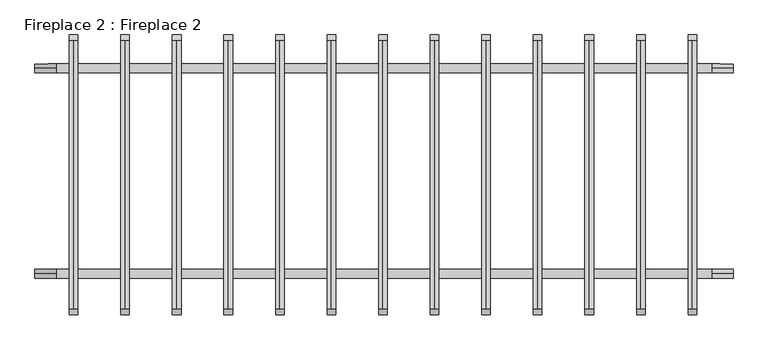
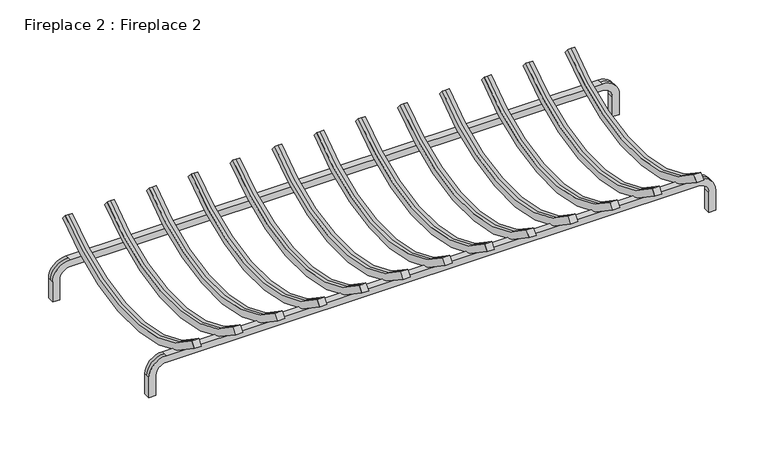
"""IFC4 building model written with IfcOpenShell, lengths in millimetres: proxy geometry, Fireplace 2 : Fireplace 2."""

from ifc_helpers import new_model, si_unit, frame, origin, place, context, project, spatial, polyline, circle_curve, source, transform, mapped, element, save
from ifc_brep_helpers import plane_surface, cylinder_surface, revolved_surface, advanced_brep


def fireplace_2_fireplace_2_6ca0bd21(model_context):
    return source(origin(), model_context, "Body", "AdvancedBrep", [
        advanced_brep(
        [(-209.55, 0.0, 0.0), (-209.55, 12.7, 0.0), (-196.85, 12.7, 0.0), (-196.85, 0.0, 0.0), (-209.55, 12.7, 38.1), (-177.8, 12.7, 69.85), (790.4, 12.7, 69.85), (822.15, 12.7, 38.1), (822.15, 12.7, 0.0), (809.45, 12.7, 0.0), (809.45, 12.7, 38.1), (790.4, 12.7, 57.15), (-177.8, 12.7, 57.15), (-196.85, 12.7, 38.1), (-196.85, 0.0, 38.1), (-177.8, 0.0, 57.15), (790.4, 0.0, 57.15), (809.45, 0.0, 38.1), (809.45, 0.0, 0.0), (822.15, 0.0, 0.0), (822.15, 0.0, 38.1), (790.4, 0.0, 69.85), (-177.8, 0.0, 69.85), (-209.55, 0.0, 38.1), (-209.55, 6.35, 38.1), (-177.8, 6.35, 69.85), (790.4, 6.35, 69.85), (822.15, 6.35, 38.1)],
        [
            (0, 1),
            (1, 2),
            (2, 3),
            (3, 0),
            (1, 4),
            (4, 5, circle_curve(frame((-177.8, 12.7, 38.1), z_axis=(0.0, 1.0, 0.0), x_axis=(-1.0, 0.0, 0.0)), 31.75)),
            (5, 6),
            (6, 7, circle_curve(frame((790.4, 12.7, 38.1), z_axis=(0.0, 1.0, 0.0), x_axis=(0.0, 0.0, 1.0)), 31.75)),
            (7, 8),
            (8, 9),
            (9, 10),
            (10, 11, circle_curve(frame((790.4, 12.7, 38.1), z_axis=(0.0, -1.0, 0.0), x_axis=(0.0, 0.0, 1.0)), 19.05)),
            (11, 12),
            (12, 13, circle_curve(frame((-177.8, 12.7, 38.1), z_axis=(0.0, -1.0, 0.0), x_axis=(-1.0, 0.0, 0.0)), 19.05)),
            (13, 2),
            (13, 14),
            (14, 3),
            (14, 15, circle_curve(frame((-177.8, 0.0, 38.1), z_axis=(0.0, 1.0, 0.0), x_axis=(-1.0, 0.0, 0.0)), 19.05)),
            (15, 16),
            (16, 17, circle_curve(frame((790.4, 0.0, 38.1), z_axis=(0.0, 1.0, 0.0), x_axis=(0.0, 0.0, 1.0)), 19.05)),
            (17, 18),
            (18, 19),
            (19, 20),
            (20, 21, circle_curve(frame((790.4, 0.0, 38.1), z_axis=(0.0, -1.0, 0.0), x_axis=(0.0, 0.0, 1.0)), 31.75)),
            (21, 22),
            (22, 23, circle_curve(frame((-177.8, 0.0, 38.1), z_axis=(0.0, -1.0, 0.0), x_axis=(-1.0, 0.0, 0.0)), 31.75)),
            (23, 0),
            (23, 24),
            (24, 4),
            (12, 15),
            (25, 24, circle_curve(frame((-177.8, 6.35, 38.1), z_axis=(0.0, -1.0, 0.0), x_axis=(-1.0, 0.0, 0.0)), 31.75)),
            (22, 25),
            (25, 5),
            (11, 16),
            (21, 26),
            (26, 6),
            (10, 17),
            (27, 26, circle_curve(frame((790.4, 6.35, 38.1), z_axis=(0.0, -1.0, 0.0), x_axis=(0.0, 0.0, 1.0)), 31.75)),
            (20, 27),
            (27, 7),
            (8, 19),
            (18, 9),
        ],
        [
            plane_surface(frame((-203.2, 6.35, 0.0), z_axis=(0.0, 0.0, -1.0), x_axis=(0.0, -1.0, 0.0))),
            plane_surface(frame((-209.55, 12.7, 0.0), z_axis=(0.0, 1.0, 0.0), x_axis=(0.0, 0.0, 1.0))),
            plane_surface(frame((-196.85, 12.7, 0.0), z_axis=(1.0, 0.0, 0.0), x_axis=(0.0, 0.0, 1.0))),
            plane_surface(frame((-196.85, 0.0, 0.0), z_axis=(0.0, -1.0, 0.0), x_axis=(0.0, 0.0, 1.0))),
            plane_surface(frame((-209.55, 6.35, 0.0), z_axis=(-1.0, 0.0, 0.0), x_axis=(0.0, 0.0, 1.0))),
            revolved_surface(polyline([(-196.85000000000002, 12.7, 38.1), (-196.85000000000002, 0.0, 38.1)]), (-177.8, 6.35, 38.1), (0.0, 1.0, 0.0)),
            cylinder_surface(frame((-177.8, 6.35, 38.1), z_axis=(0.0, 1.0, 0.0), x_axis=(-1.0, 0.0, 0.0)), 31.75),
            plane_surface(frame((-177.8, 12.7, 57.15), z_axis=(0.0, 0.0, -1.0), x_axis=(1.0, 0.0, 0.0))),
            plane_surface(frame((-177.8, 6.35, 69.85), z_axis=(0.0, 0.0, 1.0), x_axis=(1.0, 0.0, 0.0))),
            revolved_surface(polyline([(790.4, 12.7, 57.150000000000006), (790.4, 0.0, 57.150000000000006)]), (790.4, 6.35, 38.1), (0.0, 1.0, 0.0)),
            cylinder_surface(frame((790.4, 6.35, 38.1), z_axis=(0.0, 1.0, 0.0), x_axis=(0.0, 0.0, 1.0)), 31.75),
            plane_surface(frame((815.8, 6.35, 0.0), z_axis=(0.0, 0.0, -1.0), x_axis=(0.0, -1.0, 0.0))),
            plane_surface(frame((809.45, 12.7, 38.1), z_axis=(-1.0, 0.0, 0.0), x_axis=(0.0, 0.0, -1.0))),
            plane_surface(frame((822.15, 6.35, 38.1), z_axis=(1.0, 0.0, 0.0), x_axis=(0.0, 0.0, -1.0))),
        ],
        [
            (0, [[1, 2, 3, 4]]),
            (1, [[-2, 5, 6, 7, 8, 9, 10, 11, 12, 13, 14, 15]]),
            (2, [[-3, -15, 16, 17]]),
            (3, [[-4, -17, 18, 19, 20, 21, 22, 23, 24, 25, 26, 27]]),
            (4, [[-27, 28, 29, -5, -1]]),
            (5, [[-18, -16, -14, 30]]),
            (6, [[31, -28, -26, 32]]),
            (6, [[-6, -29, -31, 33]]),
            (7, [[-30, -13, 34, -19]]),
            (8, [[-33, -32, -25, 35, 36, -7]]),
            (9, [[-20, -34, -12, 37]]),
            (10, [[38, -35, -24, 39]]),
            (10, [[-8, -36, -38, 40]]),
            (11, [[41, -22, 42, -10]]),
            (12, [[-37, -11, -42, -21]]),
            (13, [[-40, -39, -23, -41, -9]]),
        ],
    ),
        advanced_brep(
        [(768.35, -46.4131906, 119.6971748), (762.0, -46.4131906, 119.6971748), (755.65, -46.4131906, 119.6971748), (755.65, -54.5280147, 109.927854), (768.35, -54.5280147, 109.927854), (768.35, 351.2131906, 119.6971748), (768.35, 359.3280147, 109.927854), (755.65, 359.3280147, 109.927854), (755.65, 351.2131906, 119.6971748), (762.0, 351.2131906, 119.6971748)],
        [
            (0, 1),
            (1, 2),
            (2, 3),
            (3, 4),
            (4, 0),
            (5, 6),
            (6, 7),
            (7, 8),
            (8, 9),
            (9, 5),
            (9, 1, circle_curve(frame((762.0, 152.4, 359.0455355), z_axis=(-1.0, 0.0, 0.0), x_axis=(0.0, -0.6389625279221011, -0.7692378617250962)), 311.15)),
            (0, 5, circle_curve(frame((768.35, 152.4, 359.0455355), z_axis=(1.0, 0.0, 0.0), x_axis=(0.0, -0.6389625279221011, -0.7692378617250962)), 311.15)),
            (8, 2, circle_curve(frame((755.65, 152.4, 359.0455355), z_axis=(-1.0, 0.0, 0.0), x_axis=(0.0, -0.6389625279221011, -0.7692378617250962)), 311.15)),
            (7, 3, circle_curve(frame((755.65, 152.4, 359.0455355), z_axis=(-1.0, 0.0, 0.0), x_axis=(0.0, -0.6389625279221011, -0.7692378617250962)), 323.85)),
            (6, 4, circle_curve(frame((768.35, 152.4, 359.0455355), z_axis=(-1.0, 0.0, 0.0), x_axis=(0.0, -0.6389625279221011, -0.7692378617250962)), 323.85)),
        ],
        [
            plane_surface(frame((762.0, -50.4706026, 114.8125144), z_axis=(0.0, -0.7692378617250962, 0.6389625279221011), x_axis=(1.0, 0.0, 0.0))),
            plane_surface(frame((762.0, 355.2706026, 114.8125144), z_axis=(0.0, 0.7692378617251086, 0.6389625279220862), x_axis=(1.0, 0.0, 0.0))),
            revolved_surface(polyline([(768.35, -46.41319056296172, 119.69717482423636), (762.0, -46.41319056296172, 119.69717482423636)]), (762.0, 152.4, 359.0455355), (1.0, 0.0, 0.0)),
            revolved_surface(polyline([(762.0, -46.41319056296172, 119.69717482423636), (755.65, -46.41319056296172, 119.69717482423636)]), (762.0, 152.4, 359.0455355), (1.0, 0.0, 0.0)),
            plane_surface(frame((755.65, 152.4, 359.0455355), z_axis=(-1.0, 0.0, 0.0), x_axis=(0.0, -0.6389625279221011, -0.7692378617250962))),
            cylinder_surface(frame((762.0, 152.4, 359.0455355), z_axis=(1.0, 0.0, 0.0), x_axis=(0.0, -0.6389625279221011, -0.7692378617250962)), 323.85),
            plane_surface(frame((768.35, 152.4, 359.0455355), z_axis=(1.0, 0.0, 0.0), x_axis=(0.0, -0.6389625279221011, -0.7692378617250962))),
        ],
        [
            (0, [[1, 2, 3, 4, 5]]),
            (1, [[6, 7, 8, 9, 10]]),
            (2, [[11, -1, 12, -10]]),
            (3, [[13, -2, -11, -9]]),
            (4, [[14, -3, -13, -8]]),
            (5, [[15, -4, -14, -7]]),
            (6, [[-12, -5, -15, -6]]),
        ],
    ),
        advanced_brep(
        [(692.15, -46.4131906, 119.6971748), (685.8, -46.4131906, 119.6971748), (679.45, -46.4131906, 119.6971748), (679.45, -54.5280147, 109.927854), (692.15, -54.5280147, 109.927854), (692.15, 351.2131906, 119.6971748), (692.15, 359.3280147, 109.927854), (679.45, 359.3280147, 109.927854), (679.45, 351.2131906, 119.6971748), (685.8, 351.2131906, 119.6971748)],
        [
            (0, 1),
            (1, 2),
            (2, 3),
            (3, 4),
            (4, 0),
            (5, 6),
            (6, 7),
            (7, 8),
            (8, 9),
            (9, 5),
            (9, 1, circle_curve(frame((685.8, 152.4, 359.0455355), z_axis=(-1.0, 0.0, 0.0), x_axis=(0.0, -0.6389625279221011, -0.7692378617250962)), 311.15)),
            (0, 5, circle_curve(frame((692.15, 152.4, 359.0455355), z_axis=(1.0, 0.0, 0.0), x_axis=(0.0, -0.6389625279221011, -0.7692378617250962)), 311.15)),
            (8, 2, circle_curve(frame((679.45, 152.4, 359.0455355), z_axis=(-1.0, 0.0, 0.0), x_axis=(0.0, -0.6389625279221011, -0.7692378617250962)), 311.15)),
            (7, 3, circle_curve(frame((679.45, 152.4, 359.0455355), z_axis=(-1.0, 0.0, 0.0), x_axis=(0.0, -0.6389625279221011, -0.7692378617250962)), 323.85)),
            (6, 4, circle_curve(frame((692.15, 152.4, 359.0455355), z_axis=(-1.0, 0.0, 0.0), x_axis=(0.0, -0.6389625279221011, -0.7692378617250962)), 323.85)),
        ],
        [
            plane_surface(frame((685.8, -50.4706026, 114.8125144), z_axis=(0.0, -0.7692378617250962, 0.6389625279221011), x_axis=(1.0, 0.0, 0.0))),
            plane_surface(frame((685.8, 355.2706026, 114.8125144), z_axis=(0.0, 0.7692378617251086, 0.6389625279220862), x_axis=(1.0, 0.0, 0.0))),
            revolved_surface(polyline([(692.15, -46.41319056296172, 119.69717482423636), (685.8, -46.41319056296172, 119.69717482423636)]), (685.8, 152.4, 359.0455355), (1.0, 0.0, 0.0)),
            revolved_surface(polyline([(685.8, -46.41319056296172, 119.69717482423636), (679.45, -46.41319056296172, 119.69717482423636)]), (685.8, 152.4, 359.0455355), (1.0, 0.0, 0.0)),
            plane_surface(frame((679.45, 152.4, 359.0455355), z_axis=(-1.0, 0.0, 0.0), x_axis=(0.0, -0.6389625279221011, -0.7692378617250962))),
            cylinder_surface(frame((685.8, 152.4, 359.0455355), z_axis=(1.0, 0.0, 0.0), x_axis=(0.0, -0.6389625279221011, -0.7692378617250962)), 323.85),
            plane_surface(frame((692.15, 152.4, 359.0455355), z_axis=(1.0, 0.0, 0.0), x_axis=(0.0, -0.6389625279221011, -0.7692378617250962))),
        ],
        [
            (0, [[1, 2, 3, 4, 5]]),
            (1, [[6, 7, 8, 9, 10]]),
            (2, [[11, -1, 12, -10]]),
            (3, [[13, -2, -11, -9]]),
            (4, [[14, -3, -13, -8]]),
            (5, [[15, -4, -14, -7]]),
            (6, [[-12, -5, -15, -6]]),
        ],
    ),
        advanced_brep(
        [(615.95, -46.4131906, 119.6971748), (609.6, -46.4131906, 119.6971748), (603.25, -46.4131906, 119.6971748), (603.25, -54.5280147, 109.927854), (615.95, -54.5280147, 109.927854), (615.95, 351.2131906, 119.6971748), (615.95, 359.3280147, 109.927854), (603.25, 359.3280147, 109.927854), (603.25, 351.2131906, 119.6971748), (609.6, 351.2131906, 119.6971748)],
        [
            (0, 1),
            (1, 2),
            (2, 3),
            (3, 4),
            (4, 0),
            (5, 6),
            (6, 7),
            (7, 8),
            (8, 9),
            (9, 5),
            (9, 1, circle_curve(frame((609.6, 152.4, 359.0455355), z_axis=(-1.0, 0.0, 0.0), x_axis=(0.0, -0.6389625279221011, -0.7692378617250962)), 311.15)),
            (0, 5, circle_curve(frame((615.95, 152.4, 359.0455355), z_axis=(1.0, 0.0, 0.0), x_axis=(0.0, -0.6389625279221011, -0.7692378617250962)), 311.15)),
            (8, 2, circle_curve(frame((603.25, 152.4, 359.0455355), z_axis=(-1.0, 0.0, 0.0), x_axis=(0.0, -0.6389625279221011, -0.7692378617250962)), 311.15)),
            (7, 3, circle_curve(frame((603.25, 152.4, 359.0455355), z_axis=(-1.0, 0.0, 0.0), x_axis=(0.0, -0.6389625279221011, -0.7692378617250962)), 323.85)),
            (6, 4, circle_curve(frame((615.95, 152.4, 359.0455355), z_axis=(-1.0, 0.0, 0.0), x_axis=(0.0, -0.6389625279221011, -0.7692378617250962)), 323.85)),
        ],
        [
            plane_surface(frame((609.6, -50.4706026, 114.8125144), z_axis=(0.0, -0.7692378617250962, 0.6389625279221011), x_axis=(1.0, 0.0, 0.0))),
            plane_surface(frame((609.6, 355.2706026, 114.8125144), z_axis=(0.0, 0.7692378617251086, 0.6389625279220862), x_axis=(1.0, 0.0, 0.0))),
            revolved_surface(polyline([(615.95, -46.41319056296172, 119.69717482423636), (609.6, -46.41319056296172, 119.69717482423636)]), (609.6, 152.4, 359.0455355), (1.0, 0.0, 0.0)),
            revolved_surface(polyline([(609.6, -46.41319056296172, 119.69717482423636), (603.25, -46.41319056296172, 119.69717482423636)]), (609.6, 152.4, 359.0455355), (1.0, 0.0, 0.0)),
            plane_surface(frame((603.25, 152.4, 359.0455355), z_axis=(-1.0, 0.0, 0.0), x_axis=(0.0, -0.6389625279221011, -0.7692378617250962))),
            cylinder_surface(frame((609.6, 152.4, 359.0455355), z_axis=(1.0, 0.0, 0.0), x_axis=(0.0, -0.6389625279221011, -0.7692378617250962)), 323.85),
            plane_surface(frame((615.95, 152.4, 359.0455355), z_axis=(1.0, 0.0, 0.0), x_axis=(0.0, -0.6389625279221011, -0.7692378617250962))),
        ],
        [
            (0, [[1, 2, 3, 4, 5]]),
            (1, [[6, 7, 8, 9, 10]]),
            (2, [[11, -1, 12, -10]]),
            (3, [[13, -2, -11, -9]]),
            (4, [[14, -3, -13, -8]]),
            (5, [[15, -4, -14, -7]]),
            (6, [[-12, -5, -15, -6]]),
        ],
    ),
        advanced_brep(
        [(-209.55, 303.65, 0.0), (-209.55, 316.35, 0.0), (-196.85, 316.35, 0.0), (-196.85, 303.65, 0.0), (-209.55, 316.35, 38.1), (-177.8, 316.35, 69.85), (790.4, 316.35, 69.85), (822.15, 316.35, 38.1), (822.15, 316.35, 0.0), (809.45, 316.35, 0.0), (809.45, 316.35, 38.1), (790.4, 316.35, 57.15), (-177.8, 316.35, 57.15), (-196.85, 316.35, 38.1), (-196.85, 303.65, 38.1), (-177.8, 303.65, 57.15), (790.4, 303.65, 57.15), (809.45, 303.65, 38.1), (809.45, 303.65, 0.0), (822.15, 303.65, 0.0), (822.15, 303.65, 38.1), (790.4, 303.65, 69.85), (-177.8, 303.65, 69.85), (-209.55, 303.65, 38.1), (-209.55, 310.0, 38.1), (-177.8, 310.0, 69.85), (790.4, 310.0, 69.85), (822.15, 310.0, 38.1)],
        [
            (0, 1),
            (1, 2),
            (2, 3),
            (3, 0),
            (1, 4),
            (4, 5, circle_curve(frame((-177.8, 316.35, 38.1), z_axis=(0.0, 1.0, 0.0), x_axis=(-1.0, 0.0, 0.0)), 31.75)),
            (5, 6),
            (6, 7, circle_curve(frame((790.4, 316.35, 38.1), z_axis=(0.0, 1.0, 0.0), x_axis=(0.0, 0.0, 1.0)), 31.75)),
            (7, 8),
            (8, 9),
            (9, 10),
            (10, 11, circle_curve(frame((790.4, 316.35, 38.1), z_axis=(0.0, -1.0, 0.0), x_axis=(0.0, 0.0, 1.0)), 19.05)),
            (11, 12),
            (12, 13, circle_curve(frame((-177.8, 316.35, 38.1), z_axis=(0.0, -1.0, 0.0), x_axis=(-1.0, 0.0, 0.0)), 19.05)),
            (13, 2),
            (13, 14),
            (14, 3),
            (14, 15, circle_curve(frame((-177.8, 303.65, 38.1), z_axis=(0.0, 1.0, 0.0), x_axis=(-1.0, 0.0, 0.0)), 19.05)),
            (15, 16),
            (16, 17, circle_curve(frame((790.4, 303.65, 38.1), z_axis=(0.0, 1.0, 0.0), x_axis=(0.0, 0.0, 1.0)), 19.05)),
            (17, 18),
            (18, 19),
            (19, 20),
            (20, 21, circle_curve(frame((790.4, 303.65, 38.1), z_axis=(0.0, -1.0, 0.0), x_axis=(0.0, 0.0, 1.0)), 31.75)),
            (21, 22),
            (22, 23, circle_curve(frame((-177.8, 303.65, 38.1), z_axis=(0.0, -1.0, 0.0), x_axis=(-1.0, 0.0, 0.0)), 31.75)),
            (23, 0),
            (23, 24),
            (24, 4),
            (12, 15),
            (25, 24, circle_curve(frame((-177.8, 310.0, 38.1), z_axis=(0.0, -1.0, 0.0), x_axis=(-1.0, 0.0, 0.0)), 31.75)),
            (22, 25),
            (25, 5),
            (11, 16),
            (21, 26),
            (26, 6),
            (10, 17),
            (27, 26, circle_curve(frame((790.4, 310.0, 38.1), z_axis=(0.0, -1.0, 0.0), x_axis=(0.0, 0.0, 1.0)), 31.75)),
            (20, 27),
            (27, 7),
            (8, 19),
            (18, 9),
        ],
        [
            plane_surface(frame((-203.2, 310.0, 0.0), z_axis=(0.0, 0.0, -1.0), x_axis=(0.0, -1.0, 0.0))),
            plane_surface(frame((-209.55, 316.35, 0.0), z_axis=(0.0, 1.0, 0.0), x_axis=(0.0, 0.0, 1.0))),
            plane_surface(frame((-196.85, 316.35, 0.0), z_axis=(1.0, 0.0, 0.0), x_axis=(0.0, 0.0, 1.0))),
            plane_surface(frame((-196.85, 303.65, 0.0), z_axis=(0.0, -1.0, 0.0), x_axis=(0.0, 0.0, 1.0))),
            plane_surface(frame((-209.55, 310.0, 0.0), z_axis=(-1.0, 0.0, 0.0), x_axis=(0.0, 0.0, 1.0))),
            revolved_surface(polyline([(-196.85000000000002, 316.35, 38.1), (-196.85000000000002, 303.65, 38.1)]), (-177.8, 310.0, 38.1), (0.0, 1.0, 0.0)),
            cylinder_surface(frame((-177.8, 310.0, 38.1), z_axis=(0.0, 1.0, 0.0), x_axis=(-1.0, 0.0, 0.0)), 31.75),
            plane_surface(frame((-177.8, 316.35, 57.15), z_axis=(0.0, 0.0, -1.0), x_axis=(1.0, 0.0, 0.0))),
            plane_surface(frame((-177.8, 310.0, 69.85), z_axis=(0.0, 0.0, 1.0), x_axis=(1.0, 0.0, 0.0))),
            revolved_surface(polyline([(790.4, 316.35, 57.150000000000006), (790.4, 303.65, 57.150000000000006)]), (790.4, 310.0, 38.1), (0.0, 1.0, 0.0)),
            cylinder_surface(frame((790.4, 310.0, 38.1), z_axis=(0.0, 1.0, 0.0), x_axis=(0.0, 0.0, 1.0)), 31.75),
            plane_surface(frame((815.8, 310.0, 0.0), z_axis=(0.0, 0.0, -1.0), x_axis=(0.0, -1.0, 0.0))),
            plane_surface(frame((809.45, 316.35, 38.1), z_axis=(-1.0, 0.0, 0.0), x_axis=(0.0, 0.0, -1.0))),
            plane_surface(frame((822.15, 310.0, 38.1), z_axis=(1.0, 0.0, 0.0), x_axis=(0.0, 0.0, -1.0))),
        ],
        [
            (0, [[1, 2, 3, 4]]),
            (1, [[-2, 5, 6, 7, 8, 9, 10, 11, 12, 13, 14, 15]]),
            (2, [[-3, -15, 16, 17]]),
            (3, [[-4, -17, 18, 19, 20, 21, 22, 23, 24, 25, 26, 27]]),
            (4, [[-27, 28, 29, -5, -1]]),
            (5, [[-18, -16, -14, 30]]),
            (6, [[31, -28, -26, 32]]),
            (6, [[-6, -29, -31, 33]]),
            (7, [[-30, -13, 34, -19]]),
            (8, [[-33, -32, -25, 35, 36, -7]]),
            (9, [[-20, -34, -12, 37]]),
            (10, [[38, -35, -24, 39]]),
            (10, [[-8, -36, -38, 40]]),
            (11, [[41, -22, 42, -10]]),
            (12, [[-37, -11, -42, -21]]),
            (13, [[-40, -39, -23, -41, -9]]),
        ],
    ),
        advanced_brep(
        [(539.75, -46.4131906, 119.6971748), (533.4, -46.4131906, 119.6971748), (527.05, -46.4131906, 119.6971748), (527.05, -54.5280147, 109.927854), (539.75, -54.5280147, 109.927854), (539.75, 351.2131906, 119.6971748), (539.75, 359.3280147, 109.927854), (527.05, 359.3280147, 109.927854), (527.05, 351.2131906, 119.6971748), (533.4, 351.2131906, 119.6971748)],
        [
            (0, 1),
            (1, 2),
            (2, 3),
            (3, 4),
            (4, 0),
            (5, 6),
            (6, 7),
            (7, 8),
            (8, 9),
            (9, 5),
            (9, 1, circle_curve(frame((533.4, 152.4, 359.0455355), z_axis=(-1.0, 0.0, 0.0), x_axis=(0.0, -0.6389625279221011, -0.7692378617250962)), 311.15)),
            (0, 5, circle_curve(frame((539.75, 152.4, 359.0455355), z_axis=(1.0, 0.0, 0.0), x_axis=(0.0, -0.6389625279221011, -0.7692378617250962)), 311.15)),
            (8, 2, circle_curve(frame((527.05, 152.4, 359.0455355), z_axis=(-1.0, 0.0, 0.0), x_axis=(0.0, -0.6389625279221011, -0.7692378617250962)), 311.15)),
            (7, 3, circle_curve(frame((527.05, 152.4, 359.0455355), z_axis=(-1.0, 0.0, 0.0), x_axis=(0.0, -0.6389625279221011, -0.7692378617250962)), 323.85)),
            (6, 4, circle_curve(frame((539.75, 152.4, 359.0455355), z_axis=(-1.0, 0.0, 0.0), x_axis=(0.0, -0.6389625279221011, -0.7692378617250962)), 323.85)),
        ],
        [
            plane_surface(frame((533.4, -50.4706026, 114.8125144), z_axis=(0.0, -0.7692378617250962, 0.6389625279221011), x_axis=(1.0, 0.0, 0.0))),
            plane_surface(frame((533.4, 355.2706026, 114.8125144), z_axis=(0.0, 0.7692378617251086, 0.6389625279220862), x_axis=(1.0, 0.0, 0.0))),
            revolved_surface(polyline([(539.75, -46.41319056296172, 119.69717482423636), (533.4, -46.41319056296172, 119.69717482423636)]), (533.4, 152.4, 359.0455355), (1.0, 0.0, 0.0)),
            revolved_surface(polyline([(533.4, -46.41319056296172, 119.69717482423636), (527.05, -46.41319056296172, 119.69717482423636)]), (533.4, 152.4, 359.0455355), (1.0, 0.0, 0.0)),
            plane_surface(frame((527.05, 152.4, 359.0455355), z_axis=(-1.0, 0.0, 0.0), x_axis=(0.0, -0.6389625279221011, -0.7692378617250962))),
            cylinder_surface(frame((533.4, 152.4, 359.0455355), z_axis=(1.0, 0.0, 0.0), x_axis=(0.0, -0.6389625279221011, -0.7692378617250962)), 323.85),
            plane_surface(frame((539.75, 152.4, 359.0455355), z_axis=(1.0, 0.0, 0.0), x_axis=(0.0, -0.6389625279221011, -0.7692378617250962))),
        ],
        [
            (0, [[1, 2, 3, 4, 5]]),
            (1, [[6, 7, 8, 9, 10]]),
            (2, [[11, -1, 12, -10]]),
            (3, [[13, -2, -11, -9]]),
            (4, [[14, -3, -13, -8]]),
            (5, [[15, -4, -14, -7]]),
            (6, [[-12, -5, -15, -6]]),
        ],
    ),
        advanced_brep(
        [(463.55, -46.4131906, 119.6971748), (457.2, -46.4131906, 119.6971748), (450.85, -46.4131906, 119.6971748), (450.85, -54.5280147, 109.927854), (463.55, -54.5280147, 109.927854), (463.55, 351.2131906, 119.6971748), (463.55, 359.3280147, 109.927854), (450.85, 359.3280147, 109.927854), (450.85, 351.2131906, 119.6971748), (457.2, 351.2131906, 119.6971748)],
        [
            (0, 1),
            (1, 2),
            (2, 3),
            (3, 4),
            (4, 0),
            (5, 6),
            (6, 7),
            (7, 8),
            (8, 9),
            (9, 5),
            (9, 1, circle_curve(frame((457.2, 152.4, 359.0455355), z_axis=(-1.0, 0.0, 0.0), x_axis=(0.0, -0.6389625279221011, -0.7692378617250962)), 311.15)),
            (0, 5, circle_curve(frame((463.55, 152.4, 359.0455355), z_axis=(1.0, 0.0, 0.0), x_axis=(0.0, -0.6389625279221011, -0.7692378617250962)), 311.15)),
            (8, 2, circle_curve(frame((450.85, 152.4, 359.0455355), z_axis=(-1.0, 0.0, 0.0), x_axis=(0.0, -0.6389625279221011, -0.7692378617250962)), 311.15)),
            (7, 3, circle_curve(frame((450.85, 152.4, 359.0455355), z_axis=(-1.0, 0.0, 0.0), x_axis=(0.0, -0.6389625279221011, -0.7692378617250962)), 323.85)),
            (6, 4, circle_curve(frame((463.55, 152.4, 359.0455355), z_axis=(-1.0, 0.0, 0.0), x_axis=(0.0, -0.6389625279221011, -0.7692378617250962)), 323.85)),
        ],
        [
            plane_surface(frame((457.2, -50.4706026, 114.8125144), z_axis=(0.0, -0.7692378617250962, 0.6389625279221011), x_axis=(1.0, 0.0, 0.0))),
            plane_surface(frame((457.2, 355.2706026, 114.8125144), z_axis=(0.0, 0.7692378617251086, 0.6389625279220862), x_axis=(1.0, 0.0, 0.0))),
            revolved_surface(polyline([(463.55, -46.41319056296172, 119.69717482423636), (457.2, -46.41319056296172, 119.69717482423636)]), (457.2, 152.4, 359.0455355), (1.0, 0.0, 0.0)),
            revolved_surface(polyline([(457.2, -46.41319056296172, 119.69717482423636), (450.85, -46.41319056296172, 119.69717482423636)]), (457.2, 152.4, 359.0455355), (1.0, 0.0, 0.0)),
            plane_surface(frame((450.85, 152.4, 359.0455355), z_axis=(-1.0, 0.0, 0.0), x_axis=(0.0, -0.6389625279221011, -0.7692378617250962))),
            cylinder_surface(frame((457.2, 152.4, 359.0455355), z_axis=(1.0, 0.0, 0.0), x_axis=(0.0, -0.6389625279221011, -0.7692378617250962)), 323.85),
            plane_surface(frame((463.55, 152.4, 359.0455355), z_axis=(1.0, 0.0, 0.0), x_axis=(0.0, -0.6389625279221011, -0.7692378617250962))),
        ],
        [
            (0, [[1, 2, 3, 4, 5]]),
            (1, [[6, 7, 8, 9, 10]]),
            (2, [[11, -1, 12, -10]]),
            (3, [[13, -2, -11, -9]]),
            (4, [[14, -3, -13, -8]]),
            (5, [[15, -4, -14, -7]]),
            (6, [[-12, -5, -15, -6]]),
        ],
    ),
        advanced_brep(
        [(387.35, -46.4131906, 119.6971748), (381.0, -46.4131906, 119.6971748), (374.65, -46.4131906, 119.6971748), (374.65, -54.5280147, 109.927854), (387.35, -54.5280147, 109.927854), (387.35, 351.2131906, 119.6971748), (387.35, 359.3280147, 109.927854), (374.65, 359.3280147, 109.927854), (374.65, 351.2131906, 119.6971748), (381.0, 351.2131906, 119.6971748)],
        [
            (0, 1),
            (1, 2),
            (2, 3),
            (3, 4),
            (4, 0),
            (5, 6),
            (6, 7),
            (7, 8),
            (8, 9),
            (9, 5),
            (9, 1, circle_curve(frame((381.0, 152.4, 359.0455355), z_axis=(-1.0, 0.0, 0.0), x_axis=(0.0, -0.6389625279221011, -0.7692378617250962)), 311.15)),
            (0, 5, circle_curve(frame((387.35, 152.4, 359.0455355), z_axis=(1.0, 0.0, 0.0), x_axis=(0.0, -0.6389625279221011, -0.7692378617250962)), 311.15)),
            (8, 2, circle_curve(frame((374.65, 152.4, 359.0455355), z_axis=(-1.0, 0.0, 0.0), x_axis=(0.0, -0.6389625279221011, -0.7692378617250962)), 311.15)),
            (7, 3, circle_curve(frame((374.65, 152.4, 359.0455355), z_axis=(-1.0, 0.0, 0.0), x_axis=(0.0, -0.6389625279221011, -0.7692378617250962)), 323.85)),
            (6, 4, circle_curve(frame((387.35, 152.4, 359.0455355), z_axis=(-1.0, 0.0, 0.0), x_axis=(0.0, -0.6389625279221011, -0.7692378617250962)), 323.85)),
        ],
        [
            plane_surface(frame((381.0, -50.4706026, 114.8125144), z_axis=(0.0, -0.7692378617250962, 0.6389625279221011), x_axis=(1.0, 0.0, 0.0))),
            plane_surface(frame((381.0, 355.2706026, 114.8125144), z_axis=(0.0, 0.7692378617251086, 0.6389625279220862), x_axis=(1.0, 0.0, 0.0))),
            revolved_surface(polyline([(387.35, -46.41319056296172, 119.69717482423636), (381.0, -46.41319056296172, 119.69717482423636)]), (381.0, 152.4, 359.0455355), (1.0, 0.0, 0.0)),
            revolved_surface(polyline([(381.0, -46.41319056296172, 119.69717482423636), (374.65, -46.41319056296172, 119.69717482423636)]), (381.0, 152.4, 359.0455355), (1.0, 0.0, 0.0)),
            plane_surface(frame((374.65, 152.4, 359.0455355), z_axis=(-1.0, 0.0, 0.0), x_axis=(0.0, -0.6389625279221011, -0.7692378617250962))),
            cylinder_surface(frame((381.0, 152.4, 359.0455355), z_axis=(1.0, 0.0, 0.0), x_axis=(0.0, -0.6389625279221011, -0.7692378617250962)), 323.85),
            plane_surface(frame((387.35, 152.4, 359.0455355), z_axis=(1.0, 0.0, 0.0), x_axis=(0.0, -0.6389625279221011, -0.7692378617250962))),
        ],
        [
            (0, [[1, 2, 3, 4, 5]]),
            (1, [[6, 7, 8, 9, 10]]),
            (2, [[11, -1, 12, -10]]),
            (3, [[13, -2, -11, -9]]),
            (4, [[14, -3, -13, -8]]),
            (5, [[15, -4, -14, -7]]),
            (6, [[-12, -5, -15, -6]]),
        ],
    ),
        advanced_brep(
        [(311.15, -46.4131906, 119.6971748), (304.8, -46.4131906, 119.6971748), (298.45, -46.4131906, 119.6971748), (298.45, -54.5280147, 109.927854), (311.15, -54.5280147, 109.927854), (311.15, 351.2131906, 119.6971748), (311.15, 359.3280147, 109.927854), (298.45, 359.3280147, 109.927854), (298.45, 351.2131906, 119.6971748), (304.8, 351.2131906, 119.6971748)],
        [
            (0, 1),
            (1, 2),
            (2, 3),
            (3, 4),
            (4, 0),
            (5, 6),
            (6, 7),
            (7, 8),
            (8, 9),
            (9, 5),
            (9, 1, circle_curve(frame((304.8, 152.4, 359.0455355), z_axis=(-1.0, 0.0, 0.0), x_axis=(0.0, -0.6389625279221011, -0.7692378617250962)), 311.15)),
            (0, 5, circle_curve(frame((311.15, 152.4, 359.0455355), z_axis=(1.0, 0.0, 0.0), x_axis=(0.0, -0.6389625279221011, -0.7692378617250962)), 311.15)),
            (8, 2, circle_curve(frame((298.45, 152.4, 359.0455355), z_axis=(-1.0, 0.0, 0.0), x_axis=(0.0, -0.6389625279221011, -0.7692378617250962)), 311.15)),
            (7, 3, circle_curve(frame((298.45, 152.4, 359.0455355), z_axis=(-1.0, 0.0, 0.0), x_axis=(0.0, -0.6389625279221011, -0.7692378617250962)), 323.85)),
            (6, 4, circle_curve(frame((311.15, 152.4, 359.0455355), z_axis=(-1.0, 0.0, 0.0), x_axis=(0.0, -0.6389625279221011, -0.7692378617250962)), 323.85)),
        ],
        [
            plane_surface(frame((304.8, -50.4706026, 114.8125144), z_axis=(0.0, -0.7692378617250962, 0.6389625279221011), x_axis=(1.0, 0.0, 0.0))),
            plane_surface(frame((304.8, 355.2706026, 114.8125144), z_axis=(0.0, 0.7692378617251086, 0.6389625279220862), x_axis=(1.0, 0.0, 0.0))),
            revolved_surface(polyline([(311.15, -46.41319056296172, 119.69717482423636), (304.8, -46.41319056296172, 119.69717482423636)]), (304.8, 152.4, 359.0455355), (1.0, 0.0, 0.0)),
            revolved_surface(polyline([(304.8, -46.41319056296172, 119.69717482423636), (298.45, -46.41319056296172, 119.69717482423636)]), (304.8, 152.4, 359.0455355), (1.0, 0.0, 0.0)),
            plane_surface(frame((298.45, 152.4, 359.0455355), z_axis=(-1.0, 0.0, 0.0), x_axis=(0.0, -0.6389625279221011, -0.7692378617250962))),
            cylinder_surface(frame((304.8, 152.4, 359.0455355), z_axis=(1.0, 0.0, 0.0), x_axis=(0.0, -0.6389625279221011, -0.7692378617250962)), 323.85),
            plane_surface(frame((311.15, 152.4, 359.0455355), z_axis=(1.0, 0.0, 0.0), x_axis=(0.0, -0.6389625279221011, -0.7692378617250962))),
        ],
        [
            (0, [[1, 2, 3, 4, 5]]),
            (1, [[6, 7, 8, 9, 10]]),
            (2, [[11, -1, 12, -10]]),
            (3, [[13, -2, -11, -9]]),
            (4, [[14, -3, -13, -8]]),
            (5, [[15, -4, -14, -7]]),
            (6, [[-12, -5, -15, -6]]),
        ],
    ),
        advanced_brep(
        [(-158.75, -46.4131906, 119.6971748), (-158.75, -54.5280147, 109.927854), (-146.05, -54.5280147, 109.927854), (-146.05, -46.4131906, 119.6971748), (-152.4, -46.4131906, 119.6971748), (-158.75, 351.2131906, 119.6971748), (-152.4, 351.2131906, 119.6971748), (-146.05, 351.2131906, 119.6971748), (-146.05, 359.3280147, 109.927854), (-158.75, 359.3280147, 109.927854)],
        [
            (0, 1),
            (1, 2),
            (2, 3),
            (3, 4),
            (4, 0),
            (5, 6),
            (6, 7),
            (7, 8),
            (8, 9),
            (9, 5),
            (9, 1, circle_curve(frame((-158.75, 152.4, 359.0455355), z_axis=(-1.0, 0.0, 0.0), x_axis=(0.0, -0.6389625279221011, -0.7692378617250962)), 323.85)),
            (0, 5, circle_curve(frame((-158.75, 152.4, 359.0455355), z_axis=(1.0, 0.0, 0.0), x_axis=(0.0, -0.6389625279221011, -0.7692378617250962)), 311.15)),
            (8, 2, circle_curve(frame((-146.05, 152.4, 359.0455355), z_axis=(-1.0, 0.0, 0.0), x_axis=(0.0, -0.6389625279221011, -0.7692378617250962)), 323.85)),
            (7, 3, circle_curve(frame((-146.05, 152.4, 359.0455355), z_axis=(-1.0, 0.0, 0.0), x_axis=(0.0, -0.6389625279221011, -0.7692378617250962)), 311.15)),
            (6, 4, circle_curve(frame((-152.4, 152.4, 359.0455355), z_axis=(-1.0, 0.0, 0.0), x_axis=(0.0, -0.6389625279221011, -0.7692378617250962)), 311.15)),
        ],
        [
            plane_surface(frame((-152.4, -50.4706026, 114.8125144), z_axis=(0.0, -0.7692378617250962, 0.6389625279221011), x_axis=(-1.0, 0.0, 0.0))),
            plane_surface(frame((-152.4, 355.2706026, 114.8125144), z_axis=(0.0, 0.7692378617251086, 0.6389625279220862), x_axis=(-1.0, 0.0, 0.0))),
            plane_surface(frame((-158.75, 152.4, 359.0455355), z_axis=(-1.0, 0.0, 0.0), x_axis=(0.0, -0.6389625279221011, -0.7692378617250962))),
            cylinder_surface(frame((-152.4, 152.4, 359.0455355), z_axis=(1.0, 0.0, 0.0), x_axis=(0.0, -0.6389625279221011, -0.7692378617250962)), 323.85),
            plane_surface(frame((-146.05, 152.4, 359.0455355), z_axis=(1.0, 0.0, 0.0), x_axis=(0.0, -0.6389625279221011, -0.7692378617250962))),
            revolved_surface(polyline([(-146.05, -46.41319056296172, 119.69717482423636), (-152.4, -46.41319056296172, 119.69717482423636)]), (-152.4, 152.4, 359.0455355), (1.0, 0.0, 0.0)),
            revolved_surface(polyline([(-152.4, -46.41319056296172, 119.69717482423636), (-158.75, -46.41319056296172, 119.69717482423636)]), (-152.4, 152.4, 359.0455355), (1.0, 0.0, 0.0)),
        ],
        [
            (0, [[1, 2, 3, 4, 5]]),
            (1, [[6, 7, 8, 9, 10]]),
            (2, [[11, -1, 12, -10]]),
            (3, [[13, -2, -11, -9]]),
            (4, [[14, -3, -13, -8]]),
            (5, [[15, -4, -14, -7]]),
            (6, [[-12, -5, -15, -6]]),
        ],
    ),
        advanced_brep(
        [(-82.55, -46.4131906, 119.6971748), (-82.55, -54.5280147, 109.927854), (-69.85, -54.5280147, 109.927854), (-69.85, -46.4131906, 119.6971748), (-76.2, -46.4131906, 119.6971748), (-82.55, 351.2131906, 119.6971748), (-76.2, 351.2131906, 119.6971748), (-69.85, 351.2131906, 119.6971748), (-69.85, 359.3280147, 109.927854), (-82.55, 359.3280147, 109.927854)],
        [
            (0, 1),
            (1, 2),
            (2, 3),
            (3, 4),
            (4, 0),
            (5, 6),
            (6, 7),
            (7, 8),
            (8, 9),
            (9, 5),
            (9, 1, circle_curve(frame((-82.55, 152.4, 359.0455355), z_axis=(-1.0, 0.0, 0.0), x_axis=(0.0, -0.6389625279221011, -0.7692378617250962)), 323.85)),
            (0, 5, circle_curve(frame((-82.55, 152.4, 359.0455355), z_axis=(1.0, 0.0, 0.0), x_axis=(0.0, -0.6389625279221011, -0.7692378617250962)), 311.15)),
            (8, 2, circle_curve(frame((-69.85, 152.4, 359.0455355), z_axis=(-1.0, 0.0, 0.0), x_axis=(0.0, -0.6389625279221011, -0.7692378617250962)), 323.85)),
            (7, 3, circle_curve(frame((-69.85, 152.4, 359.0455355), z_axis=(-1.0, 0.0, 0.0), x_axis=(0.0, -0.6389625279221011, -0.7692378617250962)), 311.15)),
            (6, 4, circle_curve(frame((-76.2, 152.4, 359.0455355), z_axis=(-1.0, 0.0, 0.0), x_axis=(0.0, -0.6389625279221011, -0.7692378617250962)), 311.15)),
        ],
        [
            plane_surface(frame((-76.2, -50.4706026, 114.8125144), z_axis=(0.0, -0.7692378617250962, 0.6389625279221011), x_axis=(-1.0, 0.0, 0.0))),
            plane_surface(frame((-76.2, 355.2706026, 114.8125144), z_axis=(0.0, 0.7692378617251086, 0.6389625279220862), x_axis=(-1.0, 0.0, 0.0))),
            plane_surface(frame((-82.55, 152.4, 359.0455355), z_axis=(-1.0, 0.0, 0.0), x_axis=(0.0, -0.6389625279221011, -0.7692378617250962))),
            cylinder_surface(frame((-76.2, 152.4, 359.0455355), z_axis=(1.0, 0.0, 0.0), x_axis=(0.0, -0.6389625279221011, -0.7692378617250962)), 323.85),
            plane_surface(frame((-69.85, 152.4, 359.0455355), z_axis=(1.0, 0.0, 0.0), x_axis=(0.0, -0.6389625279221011, -0.7692378617250962))),
            revolved_surface(polyline([(-69.85, -46.41319056296172, 119.69717482423636), (-76.2, -46.41319056296172, 119.69717482423636)]), (-76.2, 152.4, 359.0455355), (1.0, 0.0, 0.0)),
            revolved_surface(polyline([(-76.2, -46.41319056296172, 119.69717482423636), (-82.55, -46.41319056296172, 119.69717482423636)]), (-76.2, 152.4, 359.0455355), (1.0, 0.0, 0.0)),
        ],
        [
            (0, [[1, 2, 3, 4, 5]]),
            (1, [[6, 7, 8, 9, 10]]),
            (2, [[11, -1, 12, -10]]),
            (3, [[13, -2, -11, -9]]),
            (4, [[14, -3, -13, -8]]),
            (5, [[15, -4, -14, -7]]),
            (6, [[-12, -5, -15, -6]]),
        ],
    ),
        advanced_brep(
        [(234.95, -46.4131906, 119.6971748), (228.6, -46.4131906, 119.6971748), (222.25, -46.4131906, 119.6971748), (222.25, -54.5280147, 109.927854), (234.95, -54.5280147, 109.927854), (234.95, 351.2131906, 119.6971748), (234.95, 359.3280147, 109.927854), (222.25, 359.3280147, 109.927854), (222.25, 351.2131906, 119.6971748), (228.6, 351.2131906, 119.6971748)],
        [
            (0, 1),
            (1, 2),
            (2, 3),
            (3, 4),
            (4, 0),
            (5, 6),
            (6, 7),
            (7, 8),
            (8, 9),
            (9, 5),
            (9, 1, circle_curve(frame((228.6, 152.4, 359.0455355), z_axis=(-1.0, 0.0, 0.0), x_axis=(0.0, -0.6389625279221011, -0.7692378617250962)), 311.15)),
            (0, 5, circle_curve(frame((234.95, 152.4, 359.0455355), z_axis=(1.0, 0.0, 0.0), x_axis=(0.0, -0.6389625279221011, -0.7692378617250962)), 311.15)),
            (8, 2, circle_curve(frame((222.25, 152.4, 359.0455355), z_axis=(-1.0, 0.0, 0.0), x_axis=(0.0, -0.6389625279221011, -0.7692378617250962)), 311.15)),
            (7, 3, circle_curve(frame((222.25, 152.4, 359.0455355), z_axis=(-1.0, 0.0, 0.0), x_axis=(0.0, -0.6389625279221011, -0.7692378617250962)), 323.85)),
            (6, 4, circle_curve(frame((234.95, 152.4, 359.0455355), z_axis=(-1.0, 0.0, 0.0), x_axis=(0.0, -0.6389625279221011, -0.7692378617250962)), 323.85)),
        ],
        [
            plane_surface(frame((228.6, -50.4706026, 114.8125144), z_axis=(0.0, -0.7692378617250962, 0.6389625279221011), x_axis=(1.0, 0.0, 0.0))),
            plane_surface(frame((228.6, 355.2706026, 114.8125144), z_axis=(0.0, 0.7692378617251086, 0.6389625279220862), x_axis=(1.0, 0.0, 0.0))),
            revolved_surface(polyline([(234.95, -46.41319056296172, 119.69717482423636), (228.6, -46.41319056296172, 119.69717482423636)]), (228.6, 152.4, 359.0455355), (1.0, 0.0, 0.0)),
            revolved_surface(polyline([(228.6, -46.41319056296172, 119.69717482423636), (222.25, -46.41319056296172, 119.69717482423636)]), (228.6, 152.4, 359.0455355), (1.0, 0.0, 0.0)),
            plane_surface(frame((222.25, 152.4, 359.0455355), z_axis=(-1.0, 0.0, 0.0), x_axis=(0.0, -0.6389625279221011, -0.7692378617250962))),
            cylinder_surface(frame((228.6, 152.4, 359.0455355), z_axis=(1.0, 0.0, 0.0), x_axis=(0.0, -0.6389625279221011, -0.7692378617250962)), 323.85),
            plane_surface(frame((234.95, 152.4, 359.0455355), z_axis=(1.0, 0.0, 0.0), x_axis=(0.0, -0.6389625279221011, -0.7692378617250962))),
        ],
        [
            (0, [[1, 2, 3, 4, 5]]),
            (1, [[6, 7, 8, 9, 10]]),
            (2, [[11, -1, 12, -10]]),
            (3, [[13, -2, -11, -9]]),
            (4, [[14, -3, -13, -8]]),
            (5, [[15, -4, -14, -7]]),
            (6, [[-12, -5, -15, -6]]),
        ],
    ),
        advanced_brep(
        [(158.75, -46.4131906, 119.6971748), (152.4, -46.4131906, 119.6971748), (146.05, -46.4131906, 119.6971748), (146.05, -54.5280147, 109.927854), (158.75, -54.5280147, 109.927854), (158.75, 351.2131906, 119.6971748), (158.75, 359.3280147, 109.927854), (146.05, 359.3280147, 109.927854), (146.05, 351.2131906, 119.6971748), (152.4, 351.2131906, 119.6971748)],
        [
            (0, 1),
            (1, 2),
            (2, 3),
            (3, 4),
            (4, 0),
            (5, 6),
            (6, 7),
            (7, 8),
            (8, 9),
            (9, 5),
            (9, 1, circle_curve(frame((152.4, 152.4, 359.0455355), z_axis=(-1.0, 0.0, 0.0), x_axis=(0.0, -0.6389625279221011, -0.7692378617250962)), 311.15)),
            (0, 5, circle_curve(frame((158.75, 152.4, 359.0455355), z_axis=(1.0, 0.0, 0.0), x_axis=(0.0, -0.6389625279221011, -0.7692378617250962)), 311.15)),
            (8, 2, circle_curve(frame((146.05, 152.4, 359.0455355), z_axis=(-1.0, 0.0, 0.0), x_axis=(0.0, -0.6389625279221011, -0.7692378617250962)), 311.15)),
            (7, 3, circle_curve(frame((146.05, 152.4, 359.0455355), z_axis=(-1.0, 0.0, 0.0), x_axis=(0.0, -0.6389625279221011, -0.7692378617250962)), 323.85)),
            (6, 4, circle_curve(frame((158.75, 152.4, 359.0455355), z_axis=(-1.0, 0.0, 0.0), x_axis=(0.0, -0.6389625279221011, -0.7692378617250962)), 323.85)),
        ],
        [
            plane_surface(frame((152.4, -50.4706026, 114.8125144), z_axis=(0.0, -0.7692378617250962, 0.6389625279221011), x_axis=(1.0, 0.0, 0.0))),
            plane_surface(frame((152.4, 355.2706026, 114.8125144), z_axis=(0.0, 0.7692378617251086, 0.6389625279220862), x_axis=(1.0, 0.0, 0.0))),
            revolved_surface(polyline([(158.75, -46.41319056296172, 119.69717482423636), (152.4, -46.41319056296172, 119.69717482423636)]), (152.4, 152.4, 359.0455355), (1.0, 0.0, 0.0)),
            revolved_surface(polyline([(152.4, -46.41319056296172, 119.69717482423636), (146.05, -46.41319056296172, 119.69717482423636)]), (152.4, 152.4, 359.0455355), (1.0, 0.0, 0.0)),
            plane_surface(frame((146.05, 152.4, 359.0455355), z_axis=(-1.0, 0.0, 0.0), x_axis=(0.0, -0.6389625279221011, -0.7692378617250962))),
            cylinder_surface(frame((152.4, 152.4, 359.0455355), z_axis=(1.0, 0.0, 0.0), x_axis=(0.0, -0.6389625279221011, -0.7692378617250962)), 323.85),
            plane_surface(frame((158.75, 152.4, 359.0455355), z_axis=(1.0, 0.0, 0.0), x_axis=(0.0, -0.6389625279221011, -0.7692378617250962))),
        ],
        [
            (0, [[1, 2, 3, 4, 5]]),
            (1, [[6, 7, 8, 9, 10]]),
            (2, [[11, -1, 12, -10]]),
            (3, [[13, -2, -11, -9]]),
            (4, [[14, -3, -13, -8]]),
            (5, [[15, -4, -14, -7]]),
            (6, [[-12, -5, -15, -6]]),
        ],
    ),
        advanced_brep(
        [(82.55, -46.4131906, 119.6971748), (76.2, -46.4131906, 119.6971748), (69.85, -46.4131906, 119.6971748), (69.85, -54.5280147, 109.927854), (82.55, -54.5280147, 109.927854), (82.55, 351.2131906, 119.6971748), (82.55, 359.3280147, 109.927854), (69.85, 359.3280147, 109.927854), (69.85, 351.2131906, 119.6971748), (76.2, 351.2131906, 119.6971748)],
        [
            (0, 1),
            (1, 2),
            (2, 3),
            (3, 4),
            (4, 0),
            (5, 6),
            (6, 7),
            (7, 8),
            (8, 9),
            (9, 5),
            (9, 1, circle_curve(frame((76.2, 152.4, 359.0455355), z_axis=(-1.0, 0.0, 0.0), x_axis=(0.0, -0.6389625279221011, -0.7692378617250962)), 311.15)),
            (0, 5, circle_curve(frame((82.55, 152.4, 359.0455355), z_axis=(1.0, 0.0, 0.0), x_axis=(0.0, -0.6389625279221011, -0.7692378617250962)), 311.15)),
            (8, 2, circle_curve(frame((69.85, 152.4, 359.0455355), z_axis=(-1.0, 0.0, 0.0), x_axis=(0.0, -0.6389625279221011, -0.7692378617250962)), 311.15)),
            (7, 3, circle_curve(frame((69.85, 152.4, 359.0455355), z_axis=(-1.0, 0.0, 0.0), x_axis=(0.0, -0.6389625279221011, -0.7692378617250962)), 323.85)),
            (6, 4, circle_curve(frame((82.55, 152.4, 359.0455355), z_axis=(-1.0, 0.0, 0.0), x_axis=(0.0, -0.6389625279221011, -0.7692378617250962)), 323.85)),
        ],
        [
            plane_surface(frame((76.2, -50.4706026, 114.8125144), z_axis=(0.0, -0.7692378617250962, 0.6389625279221011), x_axis=(1.0, 0.0, 0.0))),
            plane_surface(frame((76.2, 355.2706026, 114.8125144), z_axis=(0.0, 0.7692378617251086, 0.6389625279220862), x_axis=(1.0, 0.0, 0.0))),
            revolved_surface(polyline([(82.55, -46.41319056296172, 119.69717482423636), (76.2, -46.41319056296172, 119.69717482423636)]), (76.2, 152.4, 359.0455355), (1.0, 0.0, 0.0)),
            revolved_surface(polyline([(76.2, -46.41319056296172, 119.69717482423636), (69.85, -46.41319056296172, 119.69717482423636)]), (76.2, 152.4, 359.0455355), (1.0, 0.0, 0.0)),
            plane_surface(frame((69.85, 152.4, 359.0455355), z_axis=(-1.0, 0.0, 0.0), x_axis=(0.0, -0.6389625279221011, -0.7692378617250962))),
            cylinder_surface(frame((76.2, 152.4, 359.0455355), z_axis=(1.0, 0.0, 0.0), x_axis=(0.0, -0.6389625279221011, -0.7692378617250962)), 323.85),
            plane_surface(frame((82.55, 152.4, 359.0455355), z_axis=(1.0, 0.0, 0.0), x_axis=(0.0, -0.6389625279221011, -0.7692378617250962))),
        ],
        [
            (0, [[1, 2, 3, 4, 5]]),
            (1, [[6, 7, 8, 9, 10]]),
            (2, [[11, -1, 12, -10]]),
            (3, [[13, -2, -11, -9]]),
            (4, [[14, -3, -13, -8]]),
            (5, [[15, -4, -14, -7]]),
            (6, [[-12, -5, -15, -6]]),
        ],
    ),
        advanced_brep(
        [(6.35, -46.4131906, 119.6971748), (0.0, -46.4131906, 119.6971748), (-6.35, -46.4131906, 119.6971748), (-6.35, -54.5280147, 109.927854), (6.35, -54.5280147, 109.927854), (6.35, 351.2131906, 119.6971748), (6.35, 359.3280147, 109.927854), (-6.35, 359.3280147, 109.927854), (-6.35, 351.2131906, 119.6971748), (0.0, 351.2131906, 119.6971748)],
        [
            (0, 1),
            (1, 2),
            (2, 3),
            (3, 4),
            (4, 0),
            (5, 6),
            (6, 7),
            (7, 8),
            (8, 9),
            (9, 5),
            (9, 1, circle_curve(frame((0.0, 152.4, 359.0455355), z_axis=(-1.0, 0.0, 0.0), x_axis=(0.0, -0.6389625279221011, -0.7692378617250962)), 311.15)),
            (0, 5, circle_curve(frame((6.35, 152.4, 359.0455355), z_axis=(1.0, 0.0, 0.0), x_axis=(0.0, -0.6389625279221011, -0.7692378617250962)), 311.15)),
            (8, 2, circle_curve(frame((-6.35, 152.4, 359.0455355), z_axis=(-1.0, 0.0, 0.0), x_axis=(0.0, -0.6389625279221011, -0.7692378617250962)), 311.15)),
            (7, 3, circle_curve(frame((-6.35, 152.4, 359.0455355), z_axis=(-1.0, 0.0, 0.0), x_axis=(0.0, -0.6389625279221011, -0.7692378617250962)), 323.85)),
            (6, 4, circle_curve(frame((6.35, 152.4, 359.0455355), z_axis=(-1.0, 0.0, 0.0), x_axis=(0.0, -0.6389625279221011, -0.7692378617250962)), 323.85)),
        ],
        [
            plane_surface(frame((0.0, -50.4706026, 114.8125144), z_axis=(0.0, -0.7692378617250962, 0.6389625279221011), x_axis=(1.0, 0.0, 0.0))),
            plane_surface(frame((0.0, 355.2706026, 114.8125144), z_axis=(0.0, 0.7692378617251086, 0.6389625279220862), x_axis=(1.0, 0.0, 0.0))),
            revolved_surface(polyline([(6.35, -46.41319056296172, 119.69717482423636), (0.0, -46.41319056296172, 119.69717482423636)]), (0.0, 152.4, 359.0455355), (1.0, 0.0, 0.0)),
            revolved_surface(polyline([(0.0, -46.41319056296172, 119.69717482423636), (-6.35, -46.41319056296172, 119.69717482423636)]), (0.0, 152.4, 359.0455355), (1.0, 0.0, 0.0)),
            plane_surface(frame((-6.35, 152.4, 359.0455355), z_axis=(-1.0, 0.0, 0.0), x_axis=(0.0, -0.6389625279221011, -0.7692378617250962))),
            cylinder_surface(frame((0.0, 152.4, 359.0455355), z_axis=(1.0, 0.0, 0.0), x_axis=(0.0, -0.6389625279221011, -0.7692378617250962)), 323.85),
            plane_surface(frame((6.35, 152.4, 359.0455355), z_axis=(1.0, 0.0, 0.0), x_axis=(0.0, -0.6389625279221011, -0.7692378617250962))),
        ],
        [
            (0, [[1, 2, 3, 4, 5]]),
            (1, [[6, 7, 8, 9, 10]]),
            (2, [[11, -1, 12, -10]]),
            (3, [[13, -2, -11, -9]]),
            (4, [[14, -3, -13, -8]]),
            (5, [[15, -4, -14, -7]]),
            (6, [[-12, -5, -15, -6]]),
        ],
    ),
    ])


if __name__ == "__main__":
    model = new_model("IFC4")
    model_context = context("Model", 3, world=origin())
    ifc_project = project(units=[si_unit("LENGTHUNIT", "METRE", prefix="MILLI")], contexts=[model_context])
    site = spatial("IfcSite", under=ifc_project)
    building = spatial("IfcBuilding", under=site)
    placement = place(None, origin())
    fireplace_2_fireplace_2_shape = fireplace_2_fireplace_2_6ca0bd21(model_context)
    element("IfcBuildingElementProxy", 1, Name="Fireplace 2 : Fireplace 2", ObjectType="Fireplace 2 : Fireplace 2", at=placement, inside=building, context=model_context, shape_type="MappedRepresentation", body=[
        mapped(fireplace_2_fireplace_2_shape, transform((0.0, 0.0, 0.0), x_axis=(1.0, 0.0, 0.0), y_axis=(0.0, 1.0, 0.0), z_axis=(0.0, 0.0, 1.0))),
    ])
    save(model, "model.ifc")
